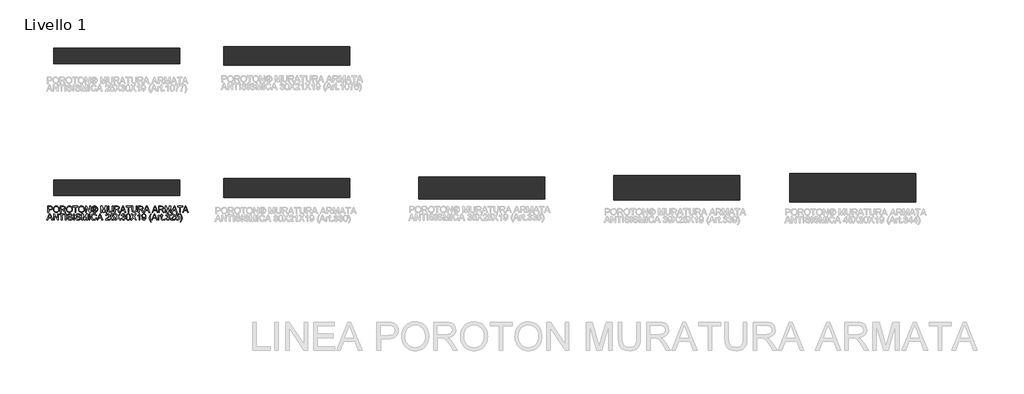
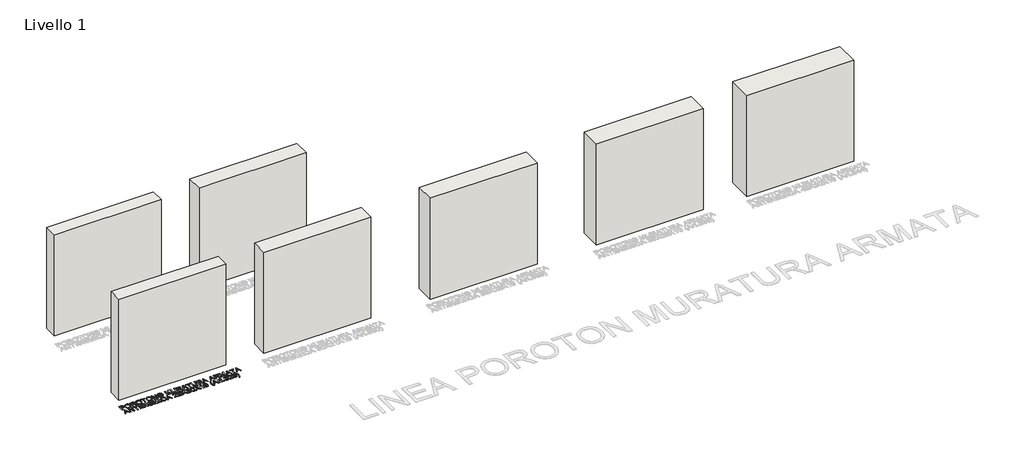
# One storey, part 1 of 8: 7 walls, 1 proxy.
"""IFC4 building model written with IfcOpenShell, lengths in millimetres."""

import ifcopenshell
import ifcopenshell.guid

model = None  # the IFC model being written
_history = None  # IfcOwnerHistory: only IFC2X3 demands one
_inside = {}  # id of a spatial element -> (the spatial element, [elements in it])
_under = {}  # id of a project, library or spatial element -> (it, [spatial elements below it])
_declared = {}  # id of a project -> (the project, [libraries it declares])
_typed = {}  # id of a type object -> (the type object, [elements of that type])
_made_of = {}  # id of a material, layer set ... -> (it, [elements and type objects made of it])


def new_model(schema):
    """Start an empty IFC model of exactly this schema.

    Asked for "IFC4X3", IfcOpenShell would pick the latest addendum, in which some entities
    have other attributes; the version numbers below select the first issue.
    IFC2X3 requires an IfcOwnerHistory on every rooted entity: one is made here for all.
    """
    global model, _history
    if schema == "IFC4X3":
        model = ifcopenshell.file(schema_version=(4, 3, 0, 0))
    else:
        model = ifcopenshell.file(schema=schema)
    _inside.clear()
    _under.clear()
    _declared.clear()
    _typed.clear()
    _made_of.clear()
    _history = None
    if model.schema == "IFC2X3":
        org = make("IfcOrganization", Name="unknown")
        user = make(
            "IfcPersonAndOrganization",
            ThePerson=make("IfcPerson", FamilyName="unknown"),
            TheOrganization=org,
        )
        app = make(
            "IfcApplication",
            ApplicationDeveloper=org,
            Version="unknown",
            ApplicationFullName="unknown",
            ApplicationIdentifier="unknown",
        )
        _history = make(
            "IfcOwnerHistory",
            OwningUser=user,
            OwningApplication=app,
            ChangeAction="ADDED",
            CreationDate=0,
        )
    return model


def make(cls, **values):
    """One entity of the class cls with the attributes given. An attribute that is None is left unset."""
    return model.create_entity(
        cls, **{name: value for name, value in values.items() if value is not None}
    )


def rooted(cls, **values):
    """An entity with a GlobalId (a new one), such as an element, a storey or a relation."""
    return make(cls, GlobalId=ifcopenshell.guid.new(), OwnerHistory=_history, **values)


def si_unit(unit_type, name, prefix=None):
    """IfcSIUnit, for example si_unit("LENGTHUNIT", "METRE", prefix="MILLI")."""
    return make("IfcSIUnit", UnitType=unit_type, Prefix=prefix, Name=name)


def assignment(units):
    """IfcUnitAssignment: the units of a project."""
    return None if units is None else make("IfcUnitAssignment", Units=units)


def point(xyz):
    """IfcCartesianPoint."""
    return None if xyz is None else make("IfcCartesianPoint", Coordinates=xyz)


def direction(xyz):
    """IfcDirection."""
    return None if xyz is None else make("IfcDirection", DirectionRatios=xyz)


def frame(location, z_axis=None, x_axis=None):
    """IfcAxis2Placement3D, a coordinate frame: its origin and axes. An axis left out is left unset."""
    return make(
        "IfcAxis2Placement3D",
        Location=point(location),
        Axis=direction(z_axis),
        RefDirection=direction(x_axis),
    )


def origin():
    """The frame at (0, 0, 0) with its axes left unset."""
    return frame((0.0, 0.0, 0.0))


def origin_with_axes():
    """The frame at (0, 0, 0) with the z axis (0, 0, 1) and the x axis (1, 0, 0) written out."""
    return frame((0.0, 0.0, 0.0), z_axis=(0.0, 0.0, 1.0), x_axis=(1.0, 0.0, 0.0))


def place(relative_to, where):
    """IfcLocalPlacement: puts the frame where relative to a parent placement (None: the world)."""
    return make(
        "IfcLocalPlacement", PlacementRelTo=relative_to, RelativePlacement=where
    )


def context(
    kind, dimensions, precision=None, world=None, true_north=None, identifier=None
):
    """IfcGeometricRepresentationContext, for example the 3D "Model" context."""
    return make(
        "IfcGeometricRepresentationContext",
        ContextIdentifier=identifier,
        ContextType=kind,
        CoordinateSpaceDimension=dimensions,
        Precision=precision,
        WorldCoordinateSystem=world,
        TrueNorth=true_north,
    )


def project(units=None, contexts=None):
    """IfcProject with its units and contexts."""
    return rooted(
        "IfcProject",
        Name="project",
        RepresentationContexts=contexts,
        UnitsInContext=assignment(units),
    )


def spatial(cls, under=None, at=None, **own):
    """A site, building, storey or space (cls), placed at a placement, below another one or the project."""
    s = rooted(cls, ObjectPlacement=at, **own)
    if under is not None:
        _under.setdefault(under.id(), (under, []))[1].append(s)
    return s


def polyline(points):
    """IfcPolyline through the points."""
    return make("IfcPolyline", Points=[point(p) for p in points])


def outline(outer, holes=None, kind="AREA"):
    """IfcArbitraryClosedProfileDef: a profile drawn as a closed curve; with holes, ...WithVoids."""
    if holes is None:
        return make("IfcArbitraryClosedProfileDef", ProfileType=kind, OuterCurve=outer)
    return make(
        "IfcArbitraryProfileDefWithVoids",
        ProfileType=kind,
        OuterCurve=outer,
        InnerCurves=holes,
    )


def extrude(swept, where, along, depth):
    """IfcExtrudedAreaSolid: the profile swept, set in the frame where, extruded along a direction by depth."""
    return make(
        "IfcExtrudedAreaSolid",
        SweptArea=swept,
        Position=where,
        ExtrudedDirection=direction(along),
        Depth=depth,
    )


def shape(context_of_items, identifier, shape_type, items):
    """IfcShapeRepresentation: the items that make up one representation, for example the "Body"."""
    return make(
        "IfcShapeRepresentation",
        ContextOfItems=context_of_items,
        RepresentationIdentifier=identifier,
        RepresentationType=shape_type,
        Items=items,
    )


def made_of(thing, what):
    """Note that an element or type object is made of a material, layer set ...; save() writes the relation."""
    if what is not None:
        _made_of.setdefault(what.id(), (what, []))[1].append(thing)
    return thing


def element(
    cls,
    number,
    at=None,
    inside=None,
    cuts=None,
    type_object=None,
    material=None,
    context=None,
    identifier="Body",
    shape_type=None,
    held_by="IfcProductDefinitionShape",
    body=None,
    shapes=None,
    **own,
):
    """One element of the class cls, such as IfcWall. Its Tag is "e" and its number.

    at: its placement. inside: the storey or other place that contains it. cuts: it is an
    opening in that element (IfcRelVoidsElement). A single representation is given by context,
    identifier, shape_type and body (its items); several are given by shapes. held_by: the class
    of the entity that holds the representations. save() writes the other relations.
    """
    e = rooted(cls, Tag="e%d" % number, ObjectPlacement=at, **own)
    if body is not None:
        shapes = [shape(context, identifier, shape_type, body)]
    if shapes is not None:
        e.Representation = make(held_by, Representations=shapes)
    if inside is not None:
        _inside.setdefault(inside.id(), (inside, []))[1].append(e)
    if cuts is not None:
        rooted(
            "IfcRelVoidsElement", RelatingBuildingElement=cuts, RelatedOpeningElement=e
        )
    if type_object is not None:
        _typed.setdefault(type_object.id(), (type_object, []))[1].append(e)
    return made_of(e, material)


def aggregate(whole, parts):
    """IfcRelAggregates: a whole, such as a stair, and the parts it consists of."""
    return rooted("IfcRelAggregates", RelatingObject=whole, RelatedObjects=parts)


def save(model, path):
    """Write the relations noted so far, then the file.

    IfcRelAggregates (storeys below a building ...), IfcRelContainedInSpatialStructure (elements
    in a storey), IfcRelDefinesByType, IfcRelAssociatesMaterial and IfcRelDeclares: one each for
    every whole, place, type object, material and project.
    """
    for whole, parts in _under.values():
        aggregate(whole, parts)
    for where, things in _inside.values():
        rooted(
            "IfcRelContainedInSpatialStructure",
            RelatedElements=things,
            RelatingStructure=where,
        )
    for kind, things in _typed.values():
        rooted("IfcRelDefinesByType", RelatedObjects=things, RelatingType=kind)
    for what, things in _made_of.values():
        rooted("IfcRelAssociatesMaterial", RelatedObjects=things, RelatingMaterial=what)
    for by, libraries in _declared.values():
        rooted("IfcRelDeclares", RelatingContext=by, RelatedDefinitions=libraries)
    model.write(path)


model = new_model("IFC4")

# Units and contexts
model_context = context("Model", 3, world=origin())
ifc_project = project(units=[si_unit("LENGTHUNIT", "METRE", prefix="MILLI")], contexts=[model_context])

# Site, building, storey
site = spatial("IfcSite", under=ifc_project)
building = spatial("IfcBuilding", under=site)
storey = spatial("IfcBuildingStorey", under=building, Name="Livello 1", Elevation=0.0)

# Proxy
placement = place(None, origin())
element("IfcBuildingElementProxy", 1, Name="100", ObjectType="100", at=placement, inside=storey, context=model_context, shape_type="SweptSolid", body=[
    extrude(outline(polyline([(-7365.3635642, -898.643094), (-7365.3635642, -798.1867838), (-7328.1339063, -798.1867838), (-7313.1243209, -799.143277), (-7300.9229014, -803.8399038), (-7293.0134385, -813.5519885), (-7290.0213316, -827.2494615), (-7292.0416169, -839.0891303), (-7298.1024728, -848.9544992), (-7309.4363039, -855.6131633), (-7327.275515, -857.832718), (-7352.8065254, -857.832718), (-7352.8065254, -898.643094), (-7365.3635642, -898.643094)]), holes=[polyline([(-7352.8065254, -845.2756792), (-7326.539751, -845.2756792), (-7308.0475494, -840.6648915), (-7303.9456651, -835.1160048), (-7302.5783704, -827.6909198), (-7305.8034692, -817.2921221), (-7314.2770178, -811.6022139), (-7326.8340566, -810.7438226), (-7352.8065254, -810.7438226), (-7352.8065254, -845.2756792)])]), origin_with_axes(), (0.0, 0.0, 1.0), 5.0),
    extrude(outline(polyline([(-7277.4642928, -849.7393141), (-7274.1165667, -827.525373), (-7264.0733882, -810.7192971), (-7248.7388404, -800.1426898), (-7229.5170061, -796.617154), (-7216.3406993, -798.272623), (-7204.5255559, -803.2390299), (-7194.7153694, -811.1668869), (-7187.5539332, -821.7067061), (-7183.1761375, -834.349584), (-7181.7168722, -848.5866172), (-7183.2527795, -863.0137228), (-7187.8605015, -875.8344103), (-7195.2855865, -886.3926235), (-7205.2735826, -894.0323063), (-7216.9875585, -898.6676195), (-7229.5905825, -900.2127238), (-7242.9692244, -898.5051382), (-7254.8518129, -893.3823815), (-7264.6374739, -885.3073717), (-7271.7253337, -874.743027), (-7277.4642928, -849.7393141)]), holes=[polyline([(-7264.9072541, -849.8619414), (-7262.3964594, -865.576634), (-7254.8640756, -877.5511929), (-7243.5425072, -885.129562), (-7229.6641589, -887.6556851), (-7215.5834756, -885.1050366), (-7204.243513, -877.4530911), (-7196.7663115, -865.1106501), (-7194.273911, -848.4885153), (-7198.5413421, -827.7644962), (-7211.0125418, -814.0424978), (-7229.4434297, -809.1741928), (-7242.9508303, -811.5194405), (-7254.4348799, -818.5551836), (-7262.2891605, -831.0723685), (-7264.9072541, -849.8619414)])]), origin_with_axes(), (0.0, 0.0, 1.0), 5.0),
    extrude(outline(polyline([(-7164.4509439, -898.643094), (-7164.4509439, -798.1867838), (-7121.1634958, -798.1867838), (-7101.0648761, -800.8968479), (-7090.0774672, -810.4863052), (-7085.9694516, -825.6798316), (-7087.6709058, -835.5758573), (-7092.7752685, -843.7796258), (-7101.4358238, -849.7944964), (-7113.8058559, -853.1238284), (-7106.6689452, -858.4949056), (-7096.4908767, -871.4198263), (-7079.7399831, -898.643094), (-7094.3326356, -898.643094), (-7107.4047092, -877.8209731), (-7116.8470137, -864.037661), (-7123.4811524, -857.5261497), (-7129.4531034, -855.1349167), (-7136.7371669, -854.6934583), (-7151.8939051, -854.6934583), (-7151.8939051, -898.643094), (-7164.4509439, -898.643094)]), holes=[polyline([(-7151.8939051, -842.1364195), (-7123.7877207, -842.1364195), (-7109.4525856, -840.3583232), (-7101.3101308, -834.668415), (-7098.5264904, -826.1458155), (-7103.8362538, -815.0848301), (-7120.6239355, -810.7438226), (-7151.8939051, -810.7438226), (-7151.8939051, -842.1364195)])]), origin_with_axes(), (0.0, 0.0, 1.0), 5.0),
    extrude(outline(polyline([(-7068.7035233, -849.7393141), (-7065.3557971, -827.525373), (-7055.3126187, -810.7192971), (-7039.9780708, -800.1426898), (-7020.7562366, -796.617154), (-7007.5799298, -798.272623), (-6995.7647864, -803.2390299), (-6985.9545998, -811.1668869), (-6978.7931637, -821.7067061), (-6974.4153679, -834.349584), (-6972.9561027, -848.5866172), (-6974.49201, -863.0137228), (-6979.099732, -875.8344103), (-6986.5248169, -886.3926235), (-6996.5128131, -894.0323063), (-7008.226789, -898.6676195), (-7020.829813, -900.2127238), (-7034.2084549, -898.5051382), (-7046.0910433, -893.3823815), (-7055.8767044, -885.3073717), (-7062.9645642, -874.743027), (-7068.7035233, -849.7393141)]), holes=[polyline([(-7056.1464845, -849.8619414), (-7053.6356899, -865.576634), (-7046.1033061, -877.5511929), (-7034.7817377, -885.129562), (-7020.9033894, -887.6556851), (-7006.822706, -885.1050366), (-6995.4827435, -877.4530911), (-6988.005542, -865.1106501), (-6985.5131415, -848.4885153), (-6989.7805726, -827.7644962), (-7002.2517722, -814.0424978), (-7020.6826602, -809.1741928), (-7034.1900608, -811.5194405), (-7045.6741104, -818.5551836), (-7053.528391, -831.0723685), (-7056.1464845, -849.8619414)])]), origin_with_axes(), (0.0, 0.0, 1.0), 5.0),
    extrude(outline(polyline([(-6930.5760968, -898.643094), (-6930.5760968, -810.7438226), (-6963.5383236, -810.7438226), (-6963.5383236, -798.1867838), (-6885.0568313, -798.1867838), (-6885.0568313, -810.7438226), (-6918.0190581, -810.7438226), (-6918.0190581, -898.643094), (-6930.5760968, -898.643094)])), origin_with_axes(), (0.0, 0.0, 1.0), 5.0),
    extrude(outline(polyline([(-6875.6390522, -849.7393141), (-6872.2913261, -827.525373), (-6862.2481476, -810.7192971), (-6846.9135998, -800.1426898), (-6827.6917655, -796.617154), (-6814.5154587, -798.272623), (-6802.7003153, -803.2390299), (-6792.8901288, -811.1668869), (-6785.7286926, -821.7067061), (-6781.3508969, -834.349584), (-6779.8916316, -848.5866172), (-6781.4275389, -863.0137228), (-6786.0352609, -875.8344103), (-6793.4603459, -886.3926235), (-6803.448342, -894.0323063), (-6815.1623179, -898.6676195), (-6827.7653419, -900.2127238), (-6841.1439838, -898.5051382), (-6853.0265723, -893.3823815), (-6862.8122333, -885.3073717), (-6869.9000931, -874.743027), (-6875.6390522, -849.7393141)]), holes=[polyline([(-6863.0820135, -849.8619414), (-6860.5712188, -865.576634), (-6853.038835, -877.5511929), (-6841.7172666, -885.129562), (-6827.8389183, -887.6556851), (-6813.758235, -885.1050366), (-6802.4182725, -877.4530911), (-6794.9410709, -865.1106501), (-6792.4486704, -848.4885153), (-6796.7161015, -827.7644962), (-6809.1873012, -814.0424978), (-6827.6181891, -809.1741928), (-6841.1255897, -811.5194405), (-6852.6096393, -818.5551836), (-6860.4639199, -831.0723685), (-6863.0820135, -849.8619414)])]), origin_with_axes(), (0.0, 0.0, 1.0), 5.0),
    extrude(outline(polyline([(-6762.6257033, -898.643094), (-6762.6257033, -798.1867838), (-6749.1857477, -798.1867838), (-6696.7012498, -877.7719221), (-6696.7012498, -798.1867838), (-6684.144211, -798.1867838), (-6684.144211, -898.643094), (-6697.5841666, -898.643094), (-6750.0686645, -819.0334302), (-6750.0686645, -898.643094), (-6762.6257033, -898.643094)])), origin_with_axes(), (0.0, 0.0, 1.0), 5.0),
    extrude(outline(polyline([(-6621.3344917, -796.617154), (-6608.4402278, -798.2910171), (-6595.8525322, -803.3126063), (-6584.7946125, -811.4489298), (-6576.4896765, -822.4669955), (-6571.2933433, -835.1895812), (-6569.5612322, -848.4394644), (-6571.2688178, -861.5728516), (-6576.3915746, -874.191204), (-6584.5953431, -885.1694159), (-6595.5459638, -893.3823815), (-6608.1551192, -898.5051382), (-6621.3344917, -900.2127238), (-6634.4954701, -898.5051382), (-6647.0984941, -893.3823815), (-6658.0583119, -885.1694159), (-6666.2896715, -874.191204), (-6671.4400194, -861.5728516), (-6673.1568021, -848.4394644), (-6671.415494, -835.1895812), (-6666.1915696, -822.4669955), (-6657.8590424, -811.4489298), (-6646.7919258, -803.3126063), (-6634.2103615, -798.2910171), (-6621.3344917, -796.617154)]), holes=[polyline([(-6621.3344917, -806.0349331), (-6642.1566126, -811.5163748), (-6651.1850499, -818.1781046), (-6658.0123266, -827.2004105), (-6663.739023, -848.4394644), (-6658.1226912, -869.4945772), (-6642.4018673, -885.178613), (-6621.3344917, -890.7949448), (-6600.2548534, -885.178613), (-6584.5708176, -869.4945772), (-6578.9790113, -848.4394644), (-6584.6689195, -827.2004105), (-6591.4778021, -818.1781046), (-6600.5246335, -811.5163748), (-6621.3344917, -806.0349331)])]), origin_with_axes(), (0.0, 0.0, 1.0), 5.0),
    extrude(outline(polyline([(-6644.9034648, -879.8075358), (-6644.9034648, -817.022342), (-6624.6209042, -817.022342), (-6609.5622678, -818.7513874), (-6602.1433143, -824.7846521), (-6599.3841993, -833.9449138), (-6604.1421398, -845.8642904), (-6616.7482295, -851.5541986), (-6611.8431362, -854.889662), (-6603.2837485, -867.4221753), (-6596.2449396, -879.8075358), (-6606.8399411, -879.8075358), (-6612.358171, -869.8501965), (-6621.6042718, -855.4292223), (-6629.6240993, -853.1238284), (-6635.4856858, -853.1238284), (-6635.4856858, -879.8075358), (-6644.9034648, -879.8075358)]), holes=[polyline([(-6635.4856858, -843.7060494), (-6623.5663091, -843.7060494), (-6611.9167126, -841.3148164), (-6608.8019784, -834.9749834), (-6610.2980318, -830.4132466), (-6614.4550984, -827.4211397), (-6624.3265986, -826.4401211), (-6635.4856858, -826.4401211), (-6635.4856858, -843.7060494)])]), origin_with_axes(), (0.0, 0.0, 1.0), 5.0),
    extrude(outline(polyline([(-6519.3330772, -898.643094), (-6519.3330772, -798.1867838), (-6497.7261413, -798.1867838), (-6477.1738005, -868.9918052), (-6473.0289967, -883.7806614), (-6468.5408364, -867.7655319), (-6448.3318521, -798.1867838), (-6426.7249162, -798.1867838), (-6426.7249162, -898.643094), (-6439.281955, -898.643094), (-6439.281955, -810.7438226), (-6464.5186599, -898.643094), (-6481.5393335, -898.643094), (-6506.7760384, -810.7438226), (-6506.7760384, -898.643094), (-6519.3330772, -898.643094)])), origin_with_axes(), (0.0, 0.0, 1.0), 5.0),
    extrude(outline(polyline([(-6338.8256449, -798.1867838), (-6326.2686061, -798.1867838), (-6326.2686061, -856.1404608), (-6329.6776459, -880.1631551), (-6341.9649046, -894.6331802), (-6352.2288122, -898.8178379), (-6365.2640976, -900.2127238), (-6388.2076713, -895.3566815), (-6395.8473541, -889.4123216), (-6400.9363884, -881.2913265), (-6404.7500984, -856.1404608), (-6404.7500984, -798.1867838), (-6392.1930596, -798.1867838), (-6392.1930596, -855.6990024), (-6389.7159875, -874.8411289), (-6381.2056507, -884.3202216), (-6366.44132, -887.6556851), (-6353.6696834, -886.0063475), (-6345.1777406, -881.0583346), (-6340.4136688, -871.4198263), (-6338.8256449, -855.6990024), (-6338.8256449, -798.1867838)])), origin_with_axes(), (0.0, 0.0, 1.0), 5.0),
    extrude(outline(polyline([(-6304.2937882, -898.643094), (-6304.2937882, -798.1867838), (-6261.0063401, -798.1867838), (-6240.9077205, -800.8968479), (-6229.9203116, -810.4863052), (-6225.8122959, -825.6798316), (-6227.5137502, -835.5758573), (-6232.6181129, -843.7796258), (-6241.2786682, -849.7944964), (-6253.6487002, -853.1238284), (-6246.5117895, -858.4949056), (-6236.333721, -871.4198263), (-6219.5828275, -898.643094), (-6234.17548, -898.643094), (-6247.2475535, -877.8209731), (-6256.6898581, -864.037661), (-6263.3239967, -857.5261497), (-6269.2959478, -855.1349167), (-6276.5800113, -854.6934583), (-6291.7367495, -854.6934583), (-6291.7367495, -898.643094), (-6304.2937882, -898.643094)]), holes=[polyline([(-6291.7367495, -842.1364195), (-6263.630565, -842.1364195), (-6249.29543, -840.3583232), (-6241.1529751, -834.668415), (-6238.3693347, -826.1458155), (-6243.6790982, -815.0848301), (-6260.4667799, -810.7438226), (-6291.7367495, -810.7438226), (-6291.7367495, -842.1364195)])]), origin_with_axes(), (0.0, 0.0, 1.0), 5.0),
    extrude(outline(polyline([(-6215.5361255, -898.643094), (-6175.4369881, -798.1867838), (-6164.7438847, -798.1867838), (-6124.6447473, -898.643094), (-6137.9130246, -898.643094), (-6149.4154683, -867.2504971), (-6190.78993, -867.2504971), (-6202.2678483, -898.643094), (-6215.5361255, -898.643094)]), holes=[polyline([(-6186.1791423, -854.6934583), (-6154.0017305, -854.6934583), (-6163.0516276, -829.9963137), (-6170.0904364, -810.7438226), (-6176.3444303, -827.8380726), (-6186.1791423, -854.6934583)])]), origin_with_axes(), (0.0, 0.0, 1.0), 5.0),
    extrude(outline(polyline([(-6086.1152396, -898.643094), (-6086.1152396, -810.7438226), (-6119.0774664, -810.7438226), (-6119.0774664, -798.1867838), (-6040.5959741, -798.1867838), (-6040.5959741, -810.7438226), (-6073.5582009, -810.7438226), (-6073.5582009, -898.643094), (-6086.1152396, -898.643094)])), origin_with_axes(), (0.0, 0.0, 1.0), 5.0),
    extrude(outline(polyline([(-5960.544852, -798.1867838), (-5947.9878132, -798.1867838), (-5947.9878132, -856.1404608), (-5951.396853, -880.1631551), (-5963.6841116, -894.6331802), (-5973.9480193, -898.8178379), (-5986.9833047, -900.2127238), (-6009.9268784, -895.3566815), (-6017.5665612, -889.4123216), (-6022.6555955, -881.2913265), (-6026.4693055, -856.1404608), (-6026.4693055, -798.1867838), (-6013.9122667, -798.1867838), (-6013.9122667, -855.6990024), (-6011.4351946, -874.8411289), (-6002.9248578, -884.3202216), (-5988.1605271, -887.6556851), (-5975.3888905, -886.0063475), (-5966.8969477, -881.0583346), (-5962.1328759, -871.4198263), (-5960.544852, -855.6990024), (-5960.544852, -798.1867838)])), origin_with_axes(), (0.0, 0.0, 1.0), 5.0),
    extrude(outline(polyline([(-5926.0129953, -898.643094), (-5926.0129953, -798.1867838), (-5882.7255472, -798.1867838), (-5862.6269276, -800.8968479), (-5851.6395186, -810.4863052), (-5847.531503, -825.6798316), (-5849.2329573, -835.5758573), (-5854.3373199, -843.7796258), (-5862.9978753, -849.7944964), (-5875.3679073, -853.1238284), (-5868.2309966, -858.4949056), (-5858.0529281, -871.4198263), (-5841.3020346, -898.643094), (-5855.8946871, -898.643094), (-5868.9667606, -877.8209731), (-5878.4090652, -864.037661), (-5885.0432038, -857.5261497), (-5891.0151549, -855.1349167), (-5898.2992184, -854.6934583), (-5913.4559566, -854.6934583), (-5913.4559566, -898.643094), (-5926.0129953, -898.643094)]), holes=[polyline([(-5913.4559566, -842.1364195), (-5885.3497721, -842.1364195), (-5871.0146371, -840.3583232), (-5862.8721822, -834.668415), (-5860.0885418, -826.1458155), (-5865.3983053, -815.0848301), (-5882.185987, -810.7438226), (-5913.4559566, -810.7438226), (-5913.4559566, -842.1364195)])]), origin_with_axes(), (0.0, 0.0, 1.0), 5.0),
    extrude(outline(polyline([(-5837.2553326, -898.643094), (-5797.1561952, -798.1867838), (-5786.4630918, -798.1867838), (-5746.3639544, -898.643094), (-5759.6322317, -898.643094), (-5771.1346754, -867.2504971), (-5812.5091371, -867.2504971), (-5823.9870553, -898.643094), (-5837.2553326, -898.643094)]), holes=[polyline([(-5807.8983494, -854.6934583), (-5775.7209376, -854.6934583), (-5784.7708347, -829.9963137), (-5791.8096435, -810.7438226), (-5798.0636374, -827.8380726), (-5807.8983494, -854.6934583)])]), origin_with_axes(), (0.0, 0.0, 1.0), 5.0),
    extrude(outline(polyline([(-5705.4064256, -898.643094), (-5665.3072881, -798.1867838), (-5654.6141848, -798.1867838), (-5614.5150473, -898.643094), (-5627.7833246, -898.643094), (-5639.2857683, -867.2504971), (-5680.66023, -867.2504971), (-5692.1381483, -898.643094), (-5705.4064256, -898.643094)]), holes=[polyline([(-5676.0494424, -854.6934583), (-5643.8720305, -854.6934583), (-5652.9219276, -829.9963137), (-5659.9607364, -810.7438226), (-5666.2147303, -827.8380726), (-5676.0494424, -854.6934583)])]), origin_with_axes(), (0.0, 0.0, 1.0), 5.0),
    extrude(outline(polyline([(-5601.0996172, -898.643094), (-5601.0996172, -798.1867838), (-5557.8121691, -798.1867838), (-5537.7135494, -800.8968479), (-5526.7261405, -810.4863052), (-5522.6181249, -825.6798316), (-5524.3195791, -835.5758573), (-5529.4239418, -843.7796258), (-5538.0844971, -849.7944964), (-5550.4545292, -853.1238284), (-5543.3176185, -858.4949056), (-5533.13955, -871.4198263), (-5516.3886564, -898.643094), (-5530.9813089, -898.643094), (-5544.0533825, -877.8209731), (-5553.495687, -864.037661), (-5560.1298257, -857.5261497), (-5566.1017767, -855.1349167), (-5573.3858402, -854.6934583), (-5588.5425784, -854.6934583), (-5588.5425784, -898.643094), (-5601.0996172, -898.643094)]), holes=[polyline([(-5588.5425784, -842.1364195), (-5560.436394, -842.1364195), (-5546.1012589, -840.3583232), (-5537.9588041, -834.668415), (-5535.1751637, -826.1458155), (-5540.4849271, -815.0848301), (-5557.2726088, -810.7438226), (-5588.5425784, -810.7438226), (-5588.5425784, -842.1364195)])]), origin_with_axes(), (0.0, 0.0, 1.0), 5.0),
    extrude(outline(polyline([(-5500.6433071, -898.643094), (-5500.6433071, -798.1867838), (-5479.0363712, -798.1867838), (-5458.4840304, -868.9918052), (-5454.3392266, -883.7806614), (-5449.8510663, -867.7655319), (-5429.642082, -798.1867838), (-5408.0351461, -798.1867838), (-5408.0351461, -898.643094), (-5420.5921849, -898.643094), (-5420.5921849, -810.7438226), (-5445.8288898, -898.643094), (-5462.8495634, -898.643094), (-5488.0862683, -810.7438226), (-5488.0862683, -898.643094), (-5500.6433071, -898.643094)])), origin_with_axes(), (0.0, 0.0, 1.0), 5.0),
    extrude(outline(polyline([(-5397.7589757, -898.643094), (-5357.6598383, -798.1867838), (-5346.9667349, -798.1867838), (-5306.8675975, -898.643094), (-5320.1358748, -898.643094), (-5331.6383185, -867.2504971), (-5373.0127802, -867.2504971), (-5384.4906984, -898.643094), (-5397.7589757, -898.643094)]), holes=[polyline([(-5368.4019925, -854.6934583), (-5336.2245807, -854.6934583), (-5345.2744778, -829.9963137), (-5352.3132866, -810.7438226), (-5358.5672805, -827.8380726), (-5368.4019925, -854.6934583)])]), origin_with_axes(), (0.0, 0.0, 1.0), 5.0),
    extrude(outline(polyline([(-5268.3380898, -898.643094), (-5268.3380898, -810.7438226), (-5301.3003166, -810.7438226), (-5301.3003166, -798.1867838), (-5222.8188243, -798.1867838), (-5222.8188243, -810.7438226), (-5255.7810511, -810.7438226), (-5255.7810511, -898.643094), (-5268.3380898, -898.643094)])), origin_with_axes(), (0.0, 0.0, 1.0), 5.0),
    extrude(outline(polyline([(-5220.3908031, -898.643094), (-5180.2916657, -798.1867838), (-5169.5985623, -798.1867838), (-5129.4994249, -898.643094), (-5142.7677021, -898.643094), (-5154.2701459, -867.2504971), (-5195.6446076, -867.2504971), (-5207.1225258, -898.643094), (-5220.3908031, -898.643094)]), holes=[polyline([(-5191.0338199, -854.6934583), (-5158.8564081, -854.6934583), (-5167.9063051, -829.9963137), (-5174.945114, -810.7438226), (-5181.1991079, -827.8380726), (-5191.0338199, -854.6934583)])]), origin_with_axes(), (0.0, 0.0, 1.0), 5.0),
    extrude(outline(polyline([(-7377.0622117, -1020.6179118), (-7336.9630742, -920.1616017), (-7326.2699708, -920.1616017), (-7286.1708334, -1020.6179118), (-7299.4391107, -1020.6179118), (-7310.9415544, -989.2253149), (-7352.3160161, -989.2253149), (-7363.7939344, -1020.6179118), (-7377.0622117, -1020.6179118)]), holes=[polyline([(-7347.7052284, -976.6682761), (-7315.5278166, -976.6682761), (-7324.5777137, -951.9711315), (-7331.6165225, -932.7186404), (-7337.8705164, -949.8128905), (-7347.7052284, -976.6682761)])]), origin_with_axes(), (0.0, 0.0, 1.0), 5.0),
    extrude(outline(polyline([(-7272.7554033, -1020.6179118), (-7272.7554033, -920.1616017), (-7259.3154477, -920.1616017), (-7206.8309497, -999.74674), (-7206.8309497, -920.1616017), (-7194.273911, -920.1616017), (-7194.273911, -1020.6179118), (-7207.7138665, -1020.6179118), (-7260.1983645, -941.0082481), (-7260.1983645, -1020.6179118), (-7272.7554033, -1020.6179118)])), origin_with_axes(), (0.0, 0.0, 1.0), 5.0),
    extrude(outline(polyline([(-7147.1850156, -1020.6179118), (-7147.1850156, -932.7186404), (-7180.1472424, -932.7186404), (-7180.1472424, -920.1616017), (-7101.6657501, -920.1616017), (-7101.6657501, -932.7186404), (-7134.6279768, -932.7186404), (-7134.6279768, -1020.6179118), (-7147.1850156, -1020.6179118)])), origin_with_axes(), (0.0, 0.0, 1.0), 5.0),
    extrude(outline(polyline([(-7085.9694516, -1020.6179118), (-7085.9694516, -920.1616017), (-7073.4124128, -920.1616017), (-7073.4124128, -1020.6179118), (-7085.9694516, -1020.6179118)])), origin_with_axes(), (0.0, 0.0, 1.0), 5.0),
    extrude(outline(polyline([(-7053.0072248, -986.0860552), (-7040.4501861, -986.0860552), (-7036.4034841, -998.6553567), (-7026.5197212, -1006.6016078), (-7011.4610848, -1009.6305029), (-6998.3399603, -1007.3373718), (-6989.8664117, -1001.034327), (-6987.0827713, -992.6098293), (-6989.1674359, -984.7739428), (-6997.7022982, -979.0717718), (-7015.9860334, -974.2770432), (-7035.6677201, -968.0843629), (-7046.3485607, -958.7401602), (-7049.8679651, -946.2566979), (-7045.5146949, -932.0441901), (-7032.7982406, -922.0132744), (-7014.1834116, -918.5919718), (-6994.3177839, -922.1726899), (-6981.074032, -932.694115), (-6976.0953624, -948.4149389), (-6988.6524011, -948.4149389), (-6990.957795, -940.9224089), (-6995.7647864, -935.5145436), (-7013.6929023, -931.1490106), (-7031.6700691, -935.4654927), (-7037.3109264, -945.8888159), (-7033.3132754, -954.5953564), (-7012.8099855, -961.6096398), (-6990.589913, -967.9126847), (-6978.4375444, -978.0907532), (-6974.5257325, -992.2909982), (-6979.0261556, -1007.3128463), (-6991.9756018, -1018.2757298), (-7010.9705755, -1022.1875417), (-7033.3991145, -1017.9691615), (-7047.5870968, -1005.2649699), (-7053.0072248, -986.0860552)])), origin_with_axes(), (0.0, 0.0, 1.0), 5.0),
    extrude(outline(polyline([(-6954.1205445, -1020.6179118), (-6954.1205445, -920.1616017), (-6941.5635058, -920.1616017), (-6941.5635058, -1020.6179118), (-6954.1205445, -1020.6179118)])), origin_with_axes(), (0.0, 0.0, 1.0), 5.0),
    extrude(outline(polyline([(-6921.1583178, -986.0860552), (-6908.601279, -986.0860552), (-6904.554577, -998.6553567), (-6894.6708141, -1006.6016078), (-6879.6121778, -1009.6305029), (-6866.4910533, -1007.3373718), (-6858.0175047, -1001.034327), (-6855.2338642, -992.6098293), (-6857.3185289, -984.7739428), (-6865.8533912, -979.0717718), (-6884.1371263, -974.2770432), (-6903.8188131, -968.0843629), (-6914.4996536, -958.7401602), (-6918.0190581, -946.2566979), (-6913.6657878, -932.0441901), (-6900.9493335, -922.0132744), (-6882.3345045, -918.5919718), (-6862.4688768, -922.1726899), (-6849.225125, -932.694115), (-6844.2464553, -948.4149389), (-6856.8034941, -948.4149389), (-6859.1088879, -940.9224089), (-6863.9158793, -935.5145436), (-6881.8439952, -931.1490106), (-6899.821162, -935.4654927), (-6905.4620193, -945.8888159), (-6901.4643683, -954.5953564), (-6880.9610784, -961.6096398), (-6858.7410059, -967.9126847), (-6846.5886373, -978.0907532), (-6842.6768255, -992.2909982), (-6847.1772485, -1007.3128463), (-6860.1266948, -1018.2757298), (-6879.1216684, -1022.1875417), (-6901.5502074, -1017.9691615), (-6915.7381897, -1005.2649699), (-6921.1583178, -986.0860552)])), origin_with_axes(), (0.0, 0.0, 1.0), 5.0),
    extrude(outline(polyline([(-6823.8412673, -1020.6179118), (-6823.8412673, -920.1616017), (-6802.2343315, -920.1616017), (-6781.6819907, -990.966623), (-6777.5371868, -1005.7554792), (-6773.0490265, -989.7403497), (-6752.8400422, -920.1616017), (-6731.2331064, -920.1616017), (-6731.2331064, -1020.6179118), (-6743.7901452, -1020.6179118), (-6743.7901452, -932.7186404), (-6769.02685, -1020.6179118), (-6786.0475237, -1020.6179118), (-6811.2842285, -932.7186404), (-6811.2842285, -1020.6179118), (-6823.8412673, -1020.6179118)])), origin_with_axes(), (0.0, 0.0, 1.0), 5.0),
    extrude(outline(polyline([(-6707.6886587, -1020.6179118), (-6707.6886587, -920.1616017), (-6695.1316199, -920.1616017), (-6695.1316199, -1020.6179118), (-6707.6886587, -1020.6179118)])), origin_with_axes(), (0.0, 0.0, 1.0), 5.0),
    extrude(outline(polyline([(-6599.3841993, -984.9088328), (-6586.8271605, -988.1461944), (-6592.621302, -1002.7787007), (-6601.7141186, -1013.4687384), (-6613.6580207, -1020.0078409), (-6628.0054185, -1022.1875417), (-6642.5704799, -1020.5382041), (-6654.1373029, -1015.5901912), (-6663.003259, -1007.5151814), (-6669.4657194, -996.4848529), (-6674.7264319, -969.6294673), (-6673.2395755, -954.9816325), (-6668.7790063, -942.3326233), (-6661.5777163, -932.084044), (-6651.8686973, -924.6374993), (-6640.3539908, -920.1033537), (-6627.7356384, -918.5919718), (-6613.9676547, -920.5478778), (-6602.5847727, -926.4155956), (-6593.9426115, -935.8333747), (-6588.3967904, -948.4394644), (-6600.9538292, -951.4315713), (-6611.254525, -935.9927902), (-6628.2261477, -931.1490106), (-6647.8710463, -936.5200877), (-6658.9688198, -950.9410619), (-6662.1693932, -969.6049418), (-6658.3802086, -991.2364031), (-6646.5834593, -1005.0565034), (-6629.2562173, -1009.6305029), (-6618.7746461, -1008.0731358), (-6610.0405144, -1003.4010345), (-6603.4462297, -995.6632498), (-6599.3841993, -984.9088328)])), origin_with_axes(), (0.0, 0.0, 1.0), 5.0),
    extrude(outline(polyline([(-6581.2598797, -1020.6179118), (-6541.1607422, -920.1616017), (-6530.4676389, -920.1616017), (-6490.3685014, -1020.6179118), (-6503.6367787, -1020.6179118), (-6515.1392224, -989.2253149), (-6556.5136841, -989.2253149), (-6567.9916024, -1020.6179118), (-6581.2598797, -1020.6179118)]), holes=[polyline([(-6551.9028965, -976.6682761), (-6519.7254846, -976.6682761), (-6528.7753817, -951.9711315), (-6535.8141905, -932.7186404), (-6542.0681845, -949.8128905), (-6551.9028965, -976.6682761)])]), origin_with_axes(), (0.0, 0.0, 1.0), 5.0),
    extrude(outline(polyline([(-6378.066391, -1008.0608731), (-6378.066391, -1020.6179118), (-6443.9908446, -1020.6179118), (-6442.6419439, -1011.9604222), (-6435.0145239, -998.6308313), (-6419.2936999, -984.074967), (-6397.6131877, -963.1547442), (-6392.1930596, -948.9299737), (-6397.3066194, -937.4152673), (-6410.6607358, -932.7186404), (-6424.5789379, -937.3049027), (-6429.8641759, -949.9845688), (-6442.4212147, -948.4149389), (-6439.3769912, -936.2687017), (-6432.7949692, -927.3966143), (-6423.0185051, -921.9703548), (-6410.3909557, -920.1616017), (-6397.6714357, -922.1726899), (-6387.9133658, -928.2059546), (-6381.7053571, -937.2190635), (-6379.6360209, -948.1696842), (-6381.8678383, -960.0767982), (-6389.2867919, -972.3885823), (-6407.2762214, -989.5931969), (-6421.7217211, -1001.6719891), (-6427.3871038, -1008.0608731), (-6378.066391, -1008.0608731)])), origin_with_axes(), (0.0, 0.0, 1.0), 5.0),
    extrude(outline(polyline([(-6365.5093522, -993.9342044), (-6352.9523135, -992.3645746), (-6346.6247432, -1005.3017581), (-6333.5036187, -1009.6305029), (-6324.5027725, -1008.1252524), (-6317.7582693, -1003.6095009), (-6313.5460204, -996.6044146), (-6312.1419375, -987.6311596), (-6317.40265, -972.7196761), (-6324.0091975, -968.6177918), (-6333.3074149, -967.2504971), (-6344.3316121, -969.4332636), (-6351.3826836, -975.0986463), (-6363.9397224, -973.5290164), (-6352.9523135, -921.7312315), (-6304.2937882, -921.7312315), (-6304.2937882, -934.2882703), (-6342.7987704, -934.2882703), (-6348.1698475, -961.9529963), (-6339.1996582, -956.5083428), (-6329.8002732, -954.6934583), (-6318.0679033, -956.9436698), (-6308.3282275, -963.6943044), (-6301.7707309, -973.9827376), (-6299.5848987, -986.8463447), (-6301.5530674, -999.4033834), (-6307.4575734, -1010.1455377), (-6318.7638134, -1019.1770407), (-6333.5526696, -1022.1875417), (-6345.8859135, -1020.2530955), (-6355.7114284, -1014.449757), (-6362.4467346, -1005.4519766), (-6365.5093522, -993.9342044)])), origin_with_axes(), (0.0, 0.0, 1.0), 5.0),
    extrude(outline(polyline([(-6294.8760092, -1020.6179118), (-6256.1502978, -965.8770709), (-6288.5974898, -920.1616017), (-6273.5388535, -920.1616017), (-6255.267381, -945.8888159), (-6249.111489, -955.9197316), (-6241.9010019, -945.7171376), (-6223.8257332, -920.1616017), (-6208.5463676, -920.1616017), (-6240.9935596, -966.0242237), (-6202.2678483, -1020.6179118), (-6217.3264846, -1020.6179118), (-6243.1272752, -984.2221198), (-6248.4983523, -976.6682761), (-6254.4089897, -984.9578838), (-6279.5966436, -1020.6179118), (-6294.8760092, -1020.6179118)])), origin_with_axes(), (0.0, 0.0, 1.0), 5.0),
    extrude(outline(polyline([(-6194.419699, -993.9342044), (-6181.8626603, -992.3645746), (-6174.934216, -1005.583801), (-6161.972507, -1009.6305029), (-6153.3640684, -1008.2386827), (-6146.717667, -1004.063222), (-6141.0522843, -990.27991), (-6146.668616, -977.2936755), (-6160.9424375, -972.1555903), (-6169.7470799, -973.5290164), (-6168.3491283, -960.9719777), (-6166.3380401, -961.1191305), (-6152.0887441, -957.5138869), (-6147.3430664, -952.9398875), (-6145.7611738, -946.4283761), (-6150.347436, -936.6059269), (-6162.1687108, -932.7186404), (-6174.1371384, -936.6427151), (-6180.2930304, -948.4149389), (-6192.8500692, -946.8453091), (-6189.1528551, -935.5697259), (-6182.5738988, -927.1513596), (-6173.5730526, -921.9090412), (-6162.6101692, -920.1616017), (-6147.4656937, -923.6074297), (-6136.8706922, -933.0252088), (-6133.204135, -945.6926121), (-6136.6867512, -957.2686323), (-6146.9874471, -965.5827654), (-6133.3022369, -974.1666786), (-6128.4952455, -990.5006392), (-6130.8987412, -1002.7388469), (-6138.1092283, -1012.9659663), (-6148.992404, -1019.8821478), (-6162.4139654, -1022.1875417), (-6174.5540713, -1020.219373), (-6184.4378342, -1014.314867), (-6191.3110962, -1005.283364), (-6194.419699, -993.9342044)])), origin_with_axes(), (0.0, 0.0, 1.0), 5.0),
    extrude(outline(polyline([(-6117.5078366, -971.1990971), (-6113.8167539, -942.2958351), (-6102.8538704, -925.6307807), (-6084.5456098, -920.1616017), (-6069.8793809, -923.3989632), (-6059.7503633, -932.7309032), (-6053.8642514, -947.5933358), (-6051.583383, -971.1990971), (-6055.2376775, -999.9797319), (-6066.1637728, -1016.6815745), (-6074.3951324, -1020.8110499), (-6084.5456098, -1022.1875417), (-6097.5931579, -1019.7963087), (-6107.5014463, -1012.6226098), (-6115.006239, -995.632593), (-6117.5078366, -971.1990971)]), holes=[polyline([(-6104.9507978, -971.1745717), (-6103.4792698, -990.9267691), (-6099.0646859, -1002.3587021), (-6092.4918609, -1007.8125527), (-6084.5456098, -1009.6305029), (-6076.5993587, -1007.8064213), (-6070.0265337, -1002.3341767), (-6065.6119498, -990.8961123), (-6064.1404218, -971.1745717), (-6065.5628988, -951.8668983), (-6069.83033, -940.3460605), (-6076.3908922, -934.6254955), (-6084.6927626, -932.7186404), (-6092.5531746, -934.3986349), (-6098.8684821, -939.4386182), (-6103.4302189, -951.6768259), (-6104.9507978, -971.1745717)])]), origin_with_axes(), (0.0, 0.0, 1.0), 5.0),
    extrude(outline(polyline([(-6046.8744935, -1020.6179118), (-6008.1487821, -965.8770709), (-6040.5959741, -920.1616017), (-6025.5373378, -920.1616017), (-6007.2658653, -945.8888159), (-6001.1099733, -955.9197316), (-5993.8994862, -945.7171376), (-5975.8242175, -920.1616017), (-5960.544852, -920.1616017), (-5992.9920439, -966.0242237), (-5954.2663326, -1020.6179118), (-5969.3249689, -1020.6179118), (-5995.1257595, -984.2221198), (-6000.4968366, -976.6682761), (-6006.407474, -984.9578838), (-6031.595128, -1020.6179118), (-6046.8744935, -1020.6179118)])), origin_with_axes(), (0.0, 0.0, 1.0), 5.0),
    extrude(outline(polyline([(-5899.329288, -1020.6179118), (-5911.8863267, -1020.6179118), (-5911.8863267, -942.3326233), (-5923.7811779, -950.8061719), (-5937.0004043, -957.1460049), (-5937.0004043, -945.2756792), (-5918.5940418, -933.5279808), (-5907.4226919, -920.1616017), (-5899.329288, -920.1616017), (-5899.329288, -1020.6179118)])), origin_with_axes(), (0.0, 0.0, 1.0), 5.0),
    extrude(outline(polyline([(-5867.936691, -995.5038343), (-5855.3796523, -993.9342044), (-5849.738795, -1005.9148948), (-5839.0456917, -1009.6305029), (-5828.8798859, -1007.2392699), (-5821.9882298, -1000.850386), (-5817.8802142, -989.9365534), (-5816.0653297, -975.3684264), (-5816.1389061, -972.9158798), (-5826.1820846, -982.4317607), (-5839.9531339, -986.0860552), (-5851.403461, -983.8542378), (-5860.9346704, -977.1587855), (-5867.3634083, -966.81517), (-5869.5063209, -953.6388632), (-5867.259175, -940.0272294), (-5860.5177375, -929.3586516), (-5850.3917855, -922.4608641), (-5837.9910966, -920.1616017), (-5820.0997689, -925.4100515), (-5807.7879848, -940.3705859), (-5803.5818673, -968.4767704), (-5807.7757221, -998.9741878), (-5812.9904494, -1008.9652496), (-5820.2469217, -1016.2523788), (-5829.2324395, -1020.703751), (-5839.6343029, -1022.1875417), (-5850.3703258, -1020.4370365), (-5858.9358449, -1015.185521), (-5864.92619, -1006.764089), (-5867.936691, -995.5038343)]), holes=[polyline([(-5816.1389061, -953.3445576), (-5817.4939381, -944.8342208), (-5821.5590342, -938.2859213), (-5827.8682104, -934.1104607), (-5835.9554829, -932.7186404), (-5844.3431924, -934.2177596), (-5851.0631702, -938.715117), (-5855.4777541, -945.597576), (-5856.9492821, -954.2519999), (-5855.5574619, -962.0112443), (-5851.3820013, -968.1702021), (-5844.8275704, -972.1893128), (-5836.2988395, -973.5290164), (-5821.8165516, -968.1702021), (-5817.5583175, -961.7843838), (-5816.1389061, -953.3445576)])]), origin_with_axes(), (0.0, 0.0, 1.0), 5.0),
    extrude(outline(polyline([(-5725.100375, -1048.8712491), (-5742.9303891, -1019.416164), (-5748.3934367, -1002.2360748), (-5750.2144526, -984.442849), (-5744.7697991, -953.9086434), (-5725.100375, -920.1616017), (-5715.682596, -920.1616017), (-5727.4302943, -940.0517549), (-5734.4936287, -959.3287714), (-5737.6574138, -984.5164254), (-5732.1637093, -1016.7060999), (-5715.682596, -1048.8712491), (-5725.100375, -1048.8712491)])), origin_with_axes(), (0.0, 0.0, 1.0), 5.0),
    extrude(outline(polyline([(-5713.2545748, -1020.6179118), (-5673.1554373, -920.1616017), (-5662.462334, -920.1616017), (-5622.3631965, -1020.6179118), (-5635.6314738, -1020.6179118), (-5647.1339175, -989.2253149), (-5688.5083793, -989.2253149), (-5699.9862975, -1020.6179118), (-5713.2545748, -1020.6179118)]), holes=[polyline([(-5683.8975916, -976.6682761), (-5651.7201797, -976.6682761), (-5660.7700768, -951.9711315), (-5667.8088857, -932.7186404), (-5674.0628796, -949.8128905), (-5683.8975916, -976.6682761)])]), origin_with_axes(), (0.0, 0.0, 1.0), 5.0),
    extrude(outline(polyline([(-5610.5173963, -1020.6179118), (-5610.5173963, -946.8453091), (-5599.5299874, -946.8453091), (-5599.5299874, -957.7591416), (-5591.7308891, -947.7037004), (-5583.8827398, -945.2756792), (-5571.2766501, -949.1507029), (-5575.4705049, -960.407892), (-5584.2996728, -957.832718), (-5591.3997953, -960.3097901), (-5595.9247438, -967.1769207), (-5597.9603575, -981.8431495), (-5597.9603575, -1020.6179118), (-5610.5173963, -1020.6179118)])), origin_with_axes(), (0.0, 0.0, 1.0), 5.0),
    extrude(outline(polyline([(-5536.7447935, -1010.1455377), (-5535.1751637, -1020.9857938), (-5544.5684173, -1022.1875417), (-5555.0898423, -1020.102877), (-5560.3382921, -1014.633698), (-5561.858871, -1000.3844021), (-5561.858871, -959.4023478), (-5571.2766501, -959.4023478), (-5571.2766501, -946.8453091), (-5561.858871, -946.8453091), (-5561.858871, -928.9171932), (-5549.3018323, -921.5350278), (-5549.3018323, -946.8453091), (-5536.7447935, -946.8453091), (-5536.7447935, -959.4023478), (-5549.3018323, -959.4023478), (-5549.3018323, -1000.0165201), (-5548.6396447, -1006.4912432), (-5546.4936664, -1008.7843743), (-5542.2139725, -1009.6305029), (-5536.7447935, -1010.1455377)])), origin_with_axes(), (0.0, 0.0, 1.0), 5.0),
    extrude(outline(polyline([(-5521.0484951, -1020.6179118), (-5521.0484951, -1008.0608731), (-5508.4914563, -1008.0608731), (-5508.4914563, -1020.6179118), (-5521.0484951, -1020.6179118)])), origin_with_axes(), (0.0, 0.0, 1.0), 5.0),
    extrude(outline(polyline([(-5488.0862683, -993.9342044), (-5475.5292295, -992.3645746), (-5468.6007853, -1005.583801), (-5455.6390763, -1009.6305029), (-5447.0306376, -1008.2386827), (-5440.3842362, -1004.063222), (-5434.7188535, -990.27991), (-5440.3351853, -977.2936755), (-5454.6090067, -972.1555903), (-5463.4136491, -973.5290164), (-5462.0156976, -960.9719777), (-5460.0046093, -961.1191305), (-5445.7553134, -957.5138869), (-5441.0096356, -952.9398875), (-5439.4277431, -946.4283761), (-5444.0140053, -936.6059269), (-5455.83528, -932.7186404), (-5467.8037076, -936.6427151), (-5473.9595997, -948.4149389), (-5486.5166384, -946.8453091), (-5482.8194244, -935.5697259), (-5476.240468, -927.1513596), (-5467.2396219, -921.9090412), (-5456.2767384, -920.1616017), (-5441.132263, -923.6074297), (-5430.5372615, -933.0252088), (-5426.8707043, -945.6926121), (-5430.3533205, -957.2686323), (-5440.6540164, -965.5827654), (-5426.9688062, -974.1666786), (-5422.1618147, -990.5006392), (-5424.5653104, -1002.7388469), (-5431.7757976, -1012.9659663), (-5442.6589732, -1019.8821478), (-5456.0805347, -1022.1875417), (-5468.2206405, -1020.219373), (-5478.1044035, -1014.314867), (-5484.9776654, -1005.283364), (-5488.0862683, -993.9342044)])), origin_with_axes(), (0.0, 0.0, 1.0), 5.0),
    extrude(outline(polyline([(-5346.8195821, -1008.0608731), (-5346.8195821, -1020.6179118), (-5412.7440357, -1020.6179118), (-5411.395135, -1011.9604222), (-5403.767715, -998.6308313), (-5388.0468911, -984.074967), (-5366.3663788, -963.1547442), (-5360.9462507, -948.9299737), (-5366.0598105, -937.4152673), (-5379.4139269, -932.7186404), (-5393.3321291, -937.3049027), (-5398.6173671, -949.9845688), (-5411.1744058, -948.4149389), (-5408.1301823, -936.2687017), (-5401.5481603, -927.3966143), (-5391.7716963, -921.9703548), (-5379.1441468, -920.1616017), (-5366.4246268, -922.1726899), (-5356.6665569, -928.2059546), (-5350.4585482, -937.2190635), (-5348.389212, -948.1696842), (-5350.6210294, -960.0767982), (-5358.039983, -972.3885823), (-5376.0294126, -989.5931969), (-5390.4749122, -1001.6719891), (-5396.140295, -1008.0608731), (-5346.8195821, -1008.0608731)])), origin_with_axes(), (0.0, 0.0, 1.0), 5.0),
    extrude(outline(polyline([(-5334.2625434, -993.9342044), (-5321.7055046, -992.3645746), (-5315.3779343, -1005.3017581), (-5302.2568098, -1009.6305029), (-5293.2559636, -1008.1252524), (-5286.5114604, -1003.6095009), (-5282.2992115, -996.6044146), (-5280.8951286, -987.6311596), (-5286.1558411, -972.7196761), (-5292.7623886, -968.6177918), (-5302.0606061, -967.2504971), (-5313.0848032, -969.4332636), (-5320.1358748, -975.0986463), (-5332.6929135, -973.5290164), (-5321.7055046, -921.7312315), (-5273.0469794, -921.7312315), (-5273.0469794, -934.2882703), (-5311.5519615, -934.2882703), (-5316.9230387, -961.9529963), (-5307.9528493, -956.5083428), (-5298.5534644, -954.6934583), (-5286.8210944, -956.9436698), (-5277.0814186, -963.6943044), (-5270.523922, -973.9827376), (-5268.3380898, -986.8463447), (-5270.3062585, -999.4033834), (-5276.2107645, -1010.1455377), (-5287.5170045, -1019.1770407), (-5302.3058607, -1022.1875417), (-5314.6391046, -1020.2530955), (-5324.4646196, -1014.449757), (-5331.1999258, -1005.4519766), (-5334.2625434, -993.9342044)])), origin_with_axes(), (0.0, 0.0, 1.0), 5.0),
    extrude(outline(polyline([(-5251.0721615, -1048.8712491), (-5260.4899406, -1048.8712491), (-5244.0088272, -1016.7060999), (-5238.5151228, -984.5164254), (-5241.6789079, -959.5495006), (-5248.6686658, -940.2479586), (-5260.4899406, -920.1616017), (-5251.0721615, -920.1616017), (-5231.4027375, -953.9086434), (-5225.958084, -984.442849), (-5227.7882969, -1002.2360748), (-5233.2789357, -1019.416164), (-5251.0721615, -1048.8712491)])), origin_with_axes(), (0.0, 0.0, 1.0), 5.0),
])

# Walls
element("IfcWall", 2, at=placement, inside=storey, context=model_context, shape_type="SweptSolid", body=[
    extrude(outline(polyline([(-5268.3256274, -633.3483863), (-7268.3256274, -633.3483863), (-7268.3256274, -383.3483863), (-5268.3256274, -383.3483863), (-5268.3256274, -633.3483863)])), origin_with_axes(), (0.0, 0.0, 1.0), 2000.0),
])
element("IfcWall", 3, at=placement, inside=storey, context=model_context, shape_type="SweptSolid", body=[
    extrude(outline(polyline([(-2568.3256274, -658.3483863), (-4568.3256274, -658.3483863), (-4568.3256274, -358.3483863), (-2568.3256274, -358.3483863), (-2568.3256274, -658.3483863)])), origin_with_axes(), (0.0, 0.0, 1.0), 2000.0),
])
element("IfcWall", 4, at=placement, inside=storey, context=model_context, shape_type="SweptSolid", body=[
    extrude(outline(polyline([(531.6743726, -683.3483863), (-1468.3256274, -683.3483863), (-1468.3256274, -333.3483863), (531.6743726, -333.3483863), (531.6743726, -683.3483863)])), origin_with_axes(), (0.0, 0.0, 1.0), 2000.0),
])
element("IfcWall", 5, at=placement, inside=storey, context=model_context, shape_type="SweptSolid", body=[
    extrude(outline(polyline([(3631.6743726, -703.3483863), (1631.6743726, -703.3483863), (1631.6743726, -313.3483863), (3631.6743726, -313.3483863), (3631.6743726, -703.3483863)])), origin_with_axes(), (0.0, 0.0, 1.0), 2000.0),
])
element("IfcWall", 6, at=placement, inside=storey, context=model_context, shape_type="SweptSolid", body=[
    extrude(outline(polyline([(-5268.3256274, 1466.6516137), (-7268.3256274, 1466.6516137), (-7268.3256274, 1716.6516137), (-5268.3256274, 1716.6516137), (-5268.3256274, 1466.6516137)])), origin_with_axes(), (0.0, 0.0, 1.0), 2000.0),
])
element("IfcWall", 7, at=placement, inside=storey, context=model_context, shape_type="SweptSolid", body=[
    extrude(outline(polyline([(-2568.3256274, 1441.6516137), (-4568.3256274, 1441.6516137), (-4568.3256274, 1741.6516137), (-2568.3256274, 1741.6516137), (-2568.3256274, 1441.6516137)])), origin_with_axes(), (0.0, 0.0, 1.0), 2000.0),
])
element("IfcWall", 8, at=placement, inside=storey, context=model_context, shape_type="SweptSolid", body=[
    extrude(outline(polyline([(6431.6743726, -733.3483863), (4431.6743726, -733.3483863), (4431.6743726, -283.3483863), (6431.6743726, -283.3483863), (6431.6743726, -733.3483863)])), origin_with_axes(), (0.0, 0.0, 1.0), 2000.0),
])

save(model, "model.ifc")
